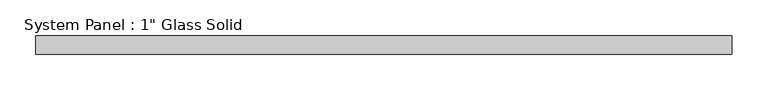
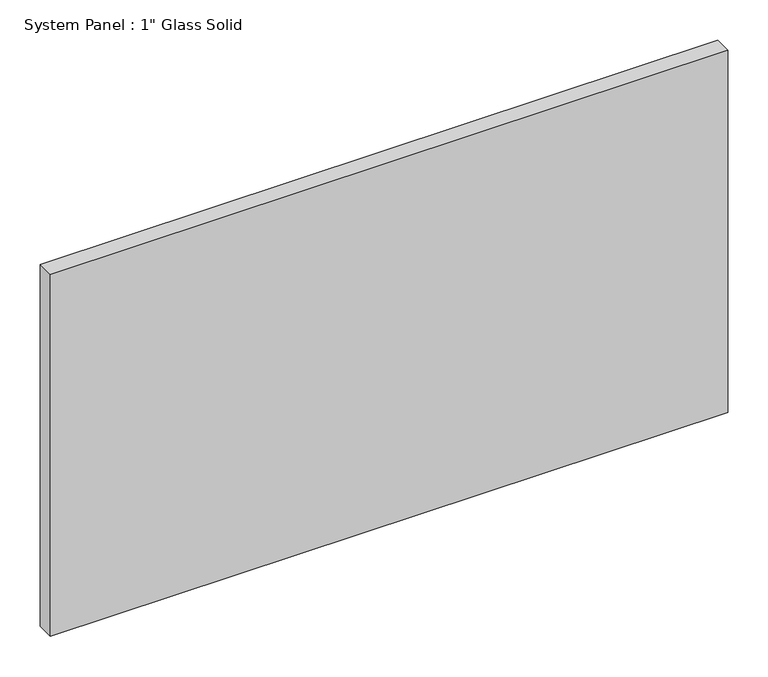
"""IFC4 building model written with IfcOpenShell, lengths in millimetres: plate geometry."""

from ifc_helpers import new_model, si_unit, origin, origin_with_axes, place, context, project, spatial, polyline, outline, extrude, source, transform, mapped, element, save


def plate_44da4e82(model_context):
    return source(origin(), model_context, "Body", "SweptSolid", [
        extrude(outline(polyline([(485.775, -12.7), (-485.775, -12.7), (-485.775, 12.7), (485.775, 12.7), (485.775, -12.7)])), origin_with_axes(), (0.0, 0.0, 1.0), 549.2785408),
    ])


if __name__ == "__main__":
    model = new_model("IFC4")
    model_context = context("Model", 3, world=origin())
    ifc_project = project(units=[si_unit("LENGTHUNIT", "METRE", prefix="MILLI")], contexts=[model_context])
    site = spatial("IfcSite", under=ifc_project)
    building = spatial("IfcBuilding", under=site)
    placement = place(None, origin())
    plate_shape = plate_44da4e82(model_context)
    element("IfcPlate", 1, ObjectType="System Panel : 1\" Glass Solid", at=placement, inside=building, context=model_context, shape_type="MappedRepresentation", body=[
        mapped(plate_shape, transform((0.0, 0.0, 0.0), x_axis=(1.0, 0.0, 0.0), y_axis=(0.0, 1.0, 0.0), z_axis=(0.0, 0.0, 1.0))),
    ])
    save(model, "model.ifc")
